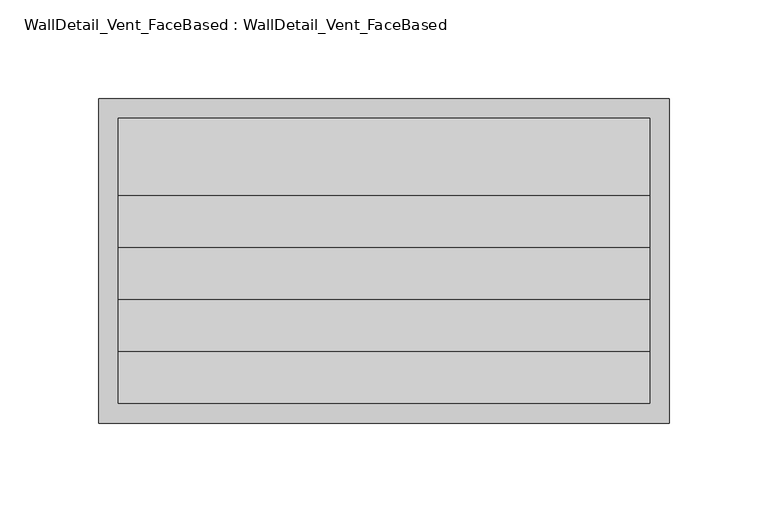
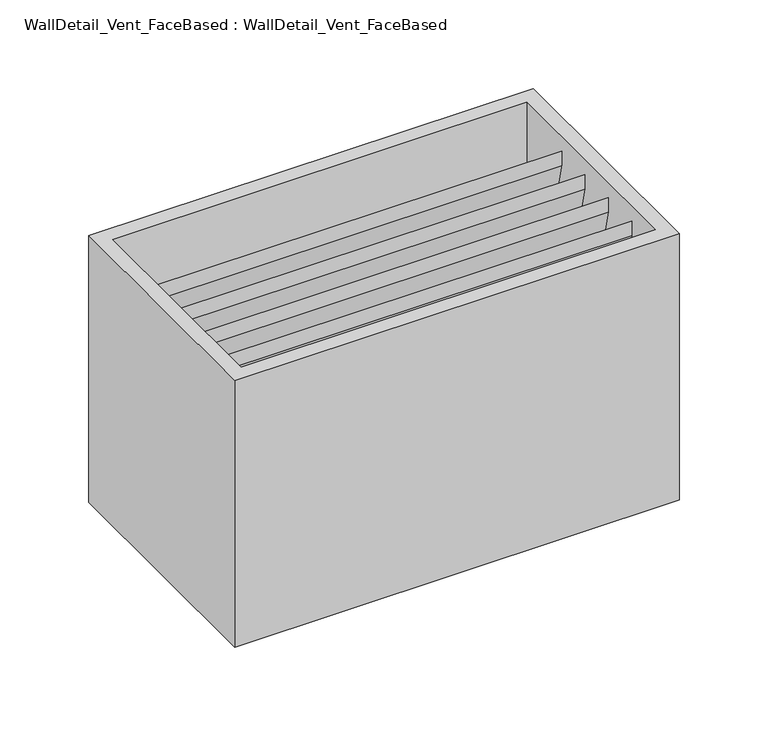
"""IFC4 building model written with IfcOpenShell, lengths in millimetres: air terminal geometry, WallDetail_Vent_FaceBased : WallDetail_Vent_FaceBased."""

from ifc_helpers import new_model, si_unit, frame, origin, place, context, project, spatial, polyline, outline, extrude, source, transform, mapped, element, save


def walldetail_vent_facebased_walldetail_vent_facebased_792687fb(model_context):
    return source(origin(), model_context, "Body", "SweptSolid", [
        extrude(outline(polyline([(-614.0587516, -163.7634284), (-614.0587516, -173.7634284), (-653.0765301, -10.0), (-653.0765301, 0.0), (-614.0587516, -163.7634284)])), frame((-378.4395212, 0.0, 0.0), z_axis=(1.0, 0.0, 0.0), x_axis=(0.0, 1.0, 0.0)), (0.0, 0.0, 1.0), 269.8353678),
        extrude(outline(polyline([(-640.4877893, -163.7634284), (-640.4877893, -173.7634284), (-679.5055678, -10.0), (-679.5055678, 0.0), (-640.4877893, -163.7634284)])), frame((-378.4395212, 0.0, 0.0), z_axis=(1.0, 0.0, 0.0), x_axis=(0.0, 1.0, 0.0)), (0.0, 0.0, 1.0), 269.8353678),
        extrude(outline(polyline([(-666.9168269, -163.7634284), (-666.9168269, -173.7634284), (-705.9346054, -10.0), (-705.9346054, 0.0), (-666.9168269, -163.7634284)])), frame((-378.4395212, 0.0, 0.0), z_axis=(1.0, 0.0, 0.0), x_axis=(0.0, 1.0, 0.0)), (0.0, 0.0, 1.0), 269.8353678),
        extrude(outline(polyline([(-587.629714, -163.7634284), (-587.629714, -173.7634284), (-626.6474925, -10.0), (-626.6474925, 0.0), (-587.629714, -163.7634284)])), frame((-378.4395212, 0.0, 0.0), z_axis=(1.0, 0.0, 0.0), x_axis=(0.0, 1.0, 0.0)), (0.0, 0.0, 1.0), 269.8353678),
        extrude(outline(polyline([(-693.3458646, -163.7634284), (-693.3458646, -173.7634284), (-732.3636431, -10.0), (-732.3636431, 0.0), (-693.3458646, -163.7634284)])), frame((-378.4395212, 0.0, 0.0), z_axis=(1.0, 0.0, 0.0), x_axis=(0.0, 1.0, 0.0)), (0.0, 0.0, 1.0), 269.8353678),
        extrude(outline(polyline([(-98.6041534, -742.3636431), (-388.4395212, -742.3636431), (-388.4395212, -577.629714), (-98.6041534, -577.629714), (-98.6041534, -742.3636431)]), holes=[polyline([(-108.6041534, -732.3636431), (-108.6041534, -587.629714), (-378.4395212, -587.629714), (-378.4395212, -732.3636431), (-108.6041534, -732.3636431)])]), frame((0.0, 0.0, -173.7634284), z_axis=(0.0, 0.0, 1.0), x_axis=(1.0, 0.0, 0.0)), (0.0, 0.0, 1.0), 183.7634284),
    ])


if __name__ == "__main__":
    model = new_model("IFC4")
    model_context = context("Model", 3, world=origin())
    ifc_project = project(units=[si_unit("LENGTHUNIT", "METRE", prefix="MILLI")], contexts=[model_context])
    site = spatial("IfcSite", under=ifc_project)
    building = spatial("IfcBuilding", under=site)
    placement = place(None, origin())
    walldetail_vent_facebased_walldetail_vent_facebased_shape = walldetail_vent_facebased_walldetail_vent_facebased_792687fb(model_context)
    element("IfcAirTerminal", 1, ObjectType="WallDetail_Vent_FaceBased : WallDetail_Vent_FaceBased", at=placement, inside=building, context=model_context, shape_type="MappedRepresentation", body=[
        mapped(walldetail_vent_facebased_walldetail_vent_facebased_shape, transform((0.0, 0.0, 0.0), x_axis=(1.0, 0.0, 0.0), y_axis=(0.0, 1.0, 0.0), z_axis=(0.0, 0.0, 1.0))),
    ])
    save(model, "model.ifc")
